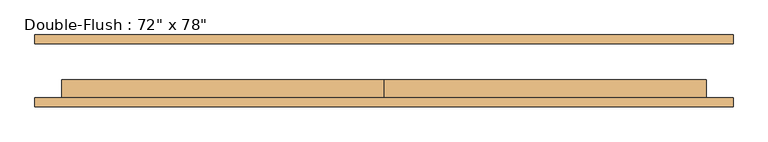
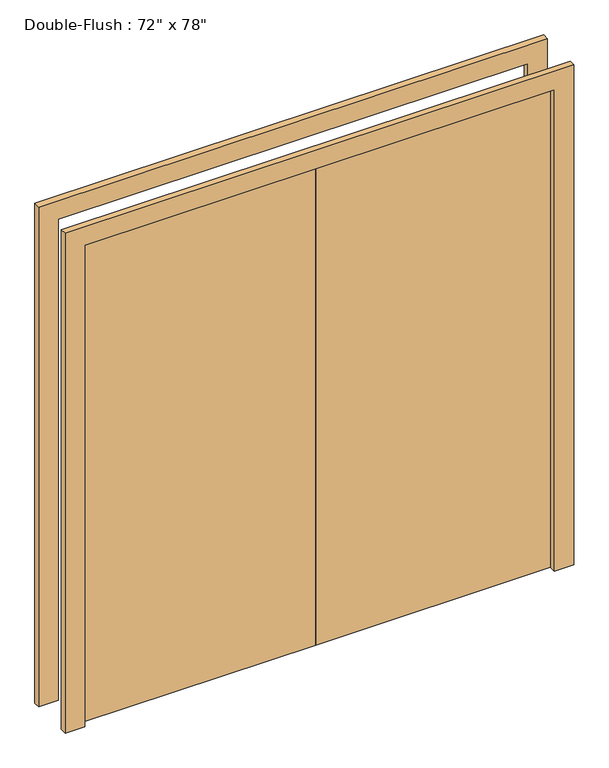
"""IFC4 building model written with IfcOpenShell, lengths in millimetres: door geometry."""

from ifc_helpers import new_model, si_unit, frame, origin, origin_with_axes, place, context, project, spatial, polyline, outline, extrude, source, transform, mapped, element, save


def door_07a9bcb5(model_context):
    return source(origin(), model_context, "Body", "SweptSolid", [
        extrude(outline(polyline([(0.0, -76.2), (0.0, -25.4), (914.4, -25.4), (914.4, -76.2), (0.0, -76.2)])), origin_with_axes(), (0.0, 0.0, 1.0), 1981.2),
        extrude(outline(polyline([(-914.4, -76.2), (-914.4, -25.4), (0.0, -25.4), (0.0, -76.2), (-914.4, -76.2)])), origin_with_axes(), (0.0, 0.0, 1.0), 1981.2),
        extrude(outline(polyline([(1981.2, -914.4), (1981.2, 914.4), (0.0, 914.4), (0.0, 990.6), (2057.4, 990.6), (2057.4, -990.6), (0.0, -990.6), (0.0, -914.4), (1981.2, -914.4)])), frame((0.0, 76.2, 0.0), z_axis=(0.0, 1.0, 0.0), x_axis=(0.0, 0.0, 1.0)), (0.0, 0.0, 1.0), 25.4),
        extrude(outline(polyline([(1981.2, -914.4), (1981.2, 914.4), (0.0, 914.4), (0.0, 990.6), (2057.4, 990.6), (2057.4, -990.6), (0.0, -990.6), (0.0, -914.4), (1981.2, -914.4)])), frame((0.0, -101.6, 0.0), z_axis=(0.0, 1.0, 0.0), x_axis=(0.0, 0.0, 1.0)), (0.0, 0.0, 1.0), 25.4),
    ])


if __name__ == "__main__":
    model = new_model("IFC4")
    model_context = context("Model", 3, world=origin())
    ifc_project = project(units=[si_unit("LENGTHUNIT", "METRE", prefix="MILLI")], contexts=[model_context])
    site = spatial("IfcSite", under=ifc_project)
    building = spatial("IfcBuilding", under=site)
    placement = place(None, origin())
    door_shape = door_07a9bcb5(model_context)
    element("IfcDoor", 1, ObjectType="Double-Flush : 72\" x 78\"", at=placement, inside=building, context=model_context, shape_type="MappedRepresentation", body=[
        mapped(door_shape, transform((0.0, 0.0, 0.0), x_axis=(1.0, 0.0, 0.0), y_axis=(0.0, 1.0, 0.0), z_axis=(0.0, 0.0, 1.0))),
    ])
    save(model, "model.ifc")
